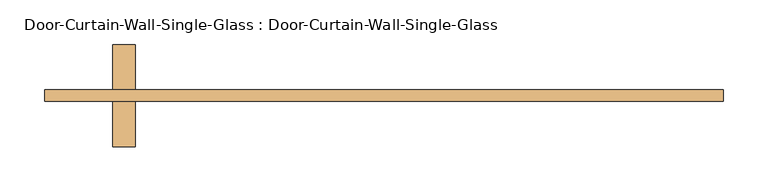
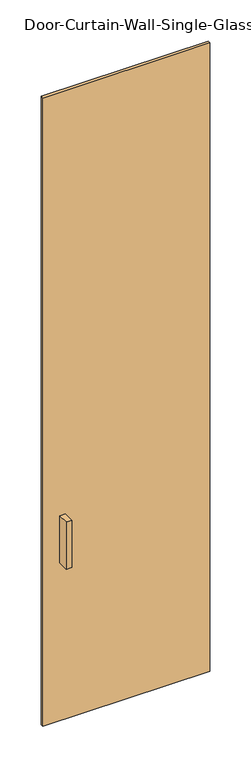
"""IFC4 building model written with IfcOpenShell, lengths in millimetres: door geometry, Door-Curtain-Wall-Single-Glass : Door-Curtain-Wall-Single-Glass."""

from ifc_helpers import new_model, si_unit, frame, origin, origin_with_axes, place, context, project, spatial, polyline, outline, extrude, source, transform, mapped, element, save


def door_curtain_wall_single_glass_door_curtain_wall_single_ae4f2b10(model_context):
    return source(origin(), model_context, "Body", "SweptSolid", [
        extrude(outline(polyline([(380.6458075, 50.8), (380.6458075, 38.1), (-380.6458075, 38.1), (-380.6458075, 50.8), (380.6458075, 50.8)])), origin_with_axes(), (0.0, 0.0, 1.0), 3035.3),
        extrude(outline(polyline([(-279.0458075, -12.7), (-304.4458075, -12.7), (-304.4458075, 38.1), (-279.0458075, 38.1), (-279.0458075, -12.7)])), frame((0.0, 0.0, 762.0), z_axis=(0.0, 0.0, 1.0), x_axis=(1.0, 0.0, 0.0)), (0.0, 0.0, 1.0), 228.6),
        extrude(outline(polyline([(-304.4458075, 101.6), (-279.0458075, 101.6), (-279.0458075, 50.8), (-304.4458075, 50.8), (-304.4458075, 101.6)])), frame((0.0, 0.0, 762.0), z_axis=(0.0, 0.0, 1.0), x_axis=(1.0, 0.0, 0.0)), (0.0, 0.0, 1.0), 228.6),
    ])


if __name__ == "__main__":
    model = new_model("IFC4")
    model_context = context("Model", 3, world=origin())
    ifc_project = project(units=[si_unit("LENGTHUNIT", "METRE", prefix="MILLI")], contexts=[model_context])
    site = spatial("IfcSite", under=ifc_project)
    building = spatial("IfcBuilding", under=site)
    placement = place(None, origin())
    door_curtain_wall_single_glass_door_curtain_wall_single_shape = door_curtain_wall_single_glass_door_curtain_wall_single_ae4f2b10(model_context)
    element("IfcDoor", 1, ObjectType="Door-Curtain-Wall-Single-Glass : Door-Curtain-Wall-Single-Glass", at=placement, inside=building, context=model_context, shape_type="MappedRepresentation", body=[
        mapped(door_curtain_wall_single_glass_door_curtain_wall_single_shape, transform((0.0, 0.0, 0.0), x_axis=(1.0, 0.0, 0.0), y_axis=(0.0, 1.0, 0.0), z_axis=(0.0, 0.0, 1.0))),
    ])
    save(model, "model.ifc")
